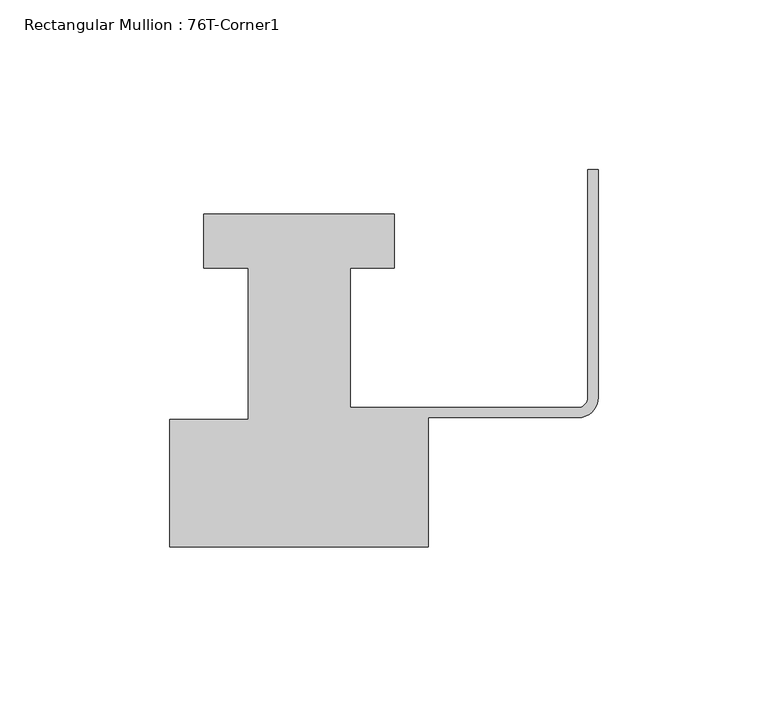
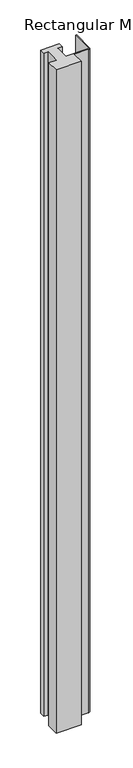
"""IFC4 building model written with IfcOpenShell, lengths in millimetres: member geometry, Rectangular Mullion : 76T-Corner1."""

from ifc_helpers import new_model, si_unit, point, frame, frame_2d, origin, place, context, project, spatial, polyline, circle_curve, trimmed, segment, composite_curve, outline, extrude, source, transform, mapped, element, save


def rectangular_mullion_76t_corner1_7f4be441(model_context):
    return source(origin(), model_context, "Body", "SweptSolid", [
        extrude(outline(composite_curve([segment(polyline([(-126.0, -38.0), (-126.0, -0.5), (-103.0, -0.5), (-103.0, 44.0), (-116.0, 44.0), (-116.0, 60.0), (-60.0, 60.0), (-60.0, 44.0), (-73.0, 44.0), (-73.0, 3.0), (-6.0, 3.0)]), True, "CONTINUOUS"), segment(trimmed(circle_curve(frame_2d((-6.0, 6.0)), 3.0), [point((-6.0, 3.0))], [point((-3.0, 6.0))], True, "CARTESIAN"), True, "CONTINUOUS"), segment(polyline([(-3.0, 6.0), (-3.0, 73.0), (0.0, 73.0), (0.0, 6.0)]), True, "CONTINUOUS"), segment(trimmed(circle_curve(frame_2d((-6.0, 6.0)), 6.0), [point((0.0, 6.0))], [point((-6.0, 0.0))], False, "CARTESIAN"), True, "CONTINUOUS"), segment(polyline([(-6.0, 0.0), (-50.0, 0.0), (-50.0, -38.0), (-126.0, -38.0)]), True, "CONTINUOUS")], self_intersect=False)), frame((0.0, 0.0, -2124.0), z_axis=(0.0, 0.0, 1.0), x_axis=(1.0, 0.0, 0.0)), (0.0, 0.0, 1.0), 2124.0),
    ])


if __name__ == "__main__":
    model = new_model("IFC4")
    model_context = context("Model", 3, world=origin())
    ifc_project = project(units=[si_unit("LENGTHUNIT", "METRE", prefix="MILLI")], contexts=[model_context])
    site = spatial("IfcSite", under=ifc_project)
    building = spatial("IfcBuilding", under=site)
    placement = place(None, origin())
    rectangular_mullion_76t_corner1_shape = rectangular_mullion_76t_corner1_7f4be441(model_context)
    element("IfcMember", 1, ObjectType="Rectangular Mullion : 76T-Corner1", at=placement, inside=building, context=model_context, shape_type="MappedRepresentation", body=[
        mapped(rectangular_mullion_76t_corner1_shape, transform((0.0, 0.0, 0.0), x_axis=(1.0, 0.0, 0.0), y_axis=(0.0, 1.0, 0.0), z_axis=(0.0, 0.0, 1.0))),
    ])
    save(model, "model.ifc")
